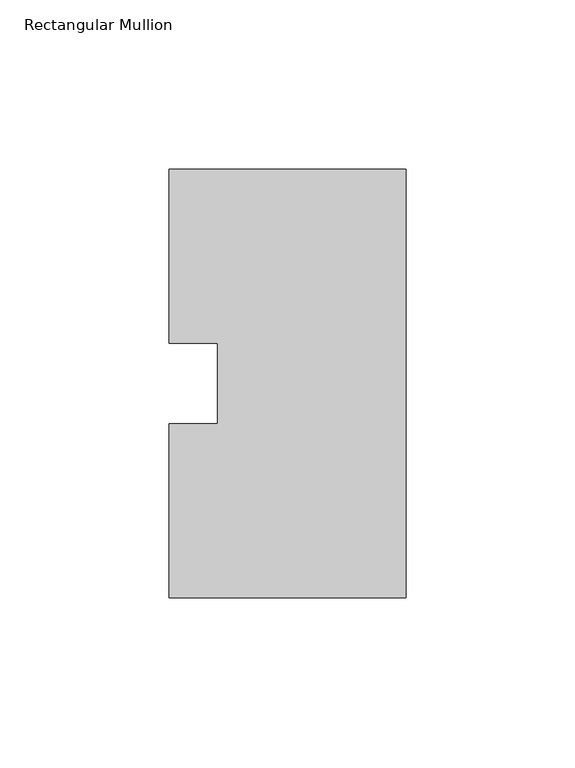
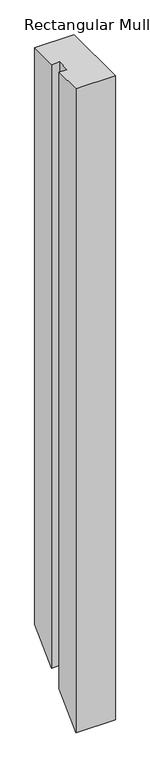
"""IFC4 building model written with IfcOpenShell, lengths in millimetres: member geometry, Rectangular Mullion."""

from ifc_helpers import new_model, si_unit, origin, place, context, project, spatial, faceted_brep, source, transform, mapped, element, save


def rectangular_mullion_95c44d55(model_context):
    return source(origin(), model_context, "Body", "Brep", [
        faceted_brep([(0.0, 126.75235, 0.0), (-69.85, 126.75235, 0.0), (-69.85, 75.40625, 0.0), (-55.5625, 75.40625, 0.0), (-55.5625, 51.60645, 0.0), (-69.85, 51.60645, 0.0), (-69.85, 0.26035, 0.0), (0.0, 0.26035, 0.0), (0.0, 126.75235, -1079.754), (-69.85, 126.75235, -1079.754), (-69.85, 75.40625, -1131.1001), (-55.5625, 75.40625, -1131.1001), (-55.5625, 51.60645, -1154.8999), (-69.85, 51.60645, -1154.8999), (-69.85, 0.26035, -1206.246), (0.0, 0.26035, -1206.246)], [[[0, 1, 2, 3, 4, 5, 6, 7]], [[1, 0, 8, 9]], [[2, 1, 9, 10]], [[3, 2, 10, 11]], [[4, 3, 11, 12]], [[5, 4, 12, 13]], [[6, 5, 13, 14]], [[7, 6, 14, 15]], [[0, 7, 15, 8]], [[8, 15, 14, 13, 12, 11, 10, 9]]]),
    ])


if __name__ == "__main__":
    model = new_model("IFC4")
    model_context = context("Model", 3, world=origin())
    ifc_project = project(units=[si_unit("LENGTHUNIT", "METRE", prefix="MILLI")], contexts=[model_context])
    site = spatial("IfcSite", under=ifc_project)
    building = spatial("IfcBuilding", under=site)
    placement = place(None, origin())
    rectangular_mullion_shape = rectangular_mullion_95c44d55(model_context)
    element("IfcMember", 1, ObjectType="Rectangular Mullion", at=placement, inside=building, context=model_context, shape_type="MappedRepresentation", body=[
        mapped(rectangular_mullion_shape, transform((0.0, 0.0, 0.0), x_axis=(1.0, 0.0, 0.0), y_axis=(0.0, 1.0, 0.0), z_axis=(0.0, 0.0, 1.0))),
    ])
    save(model, "model.ifc")
